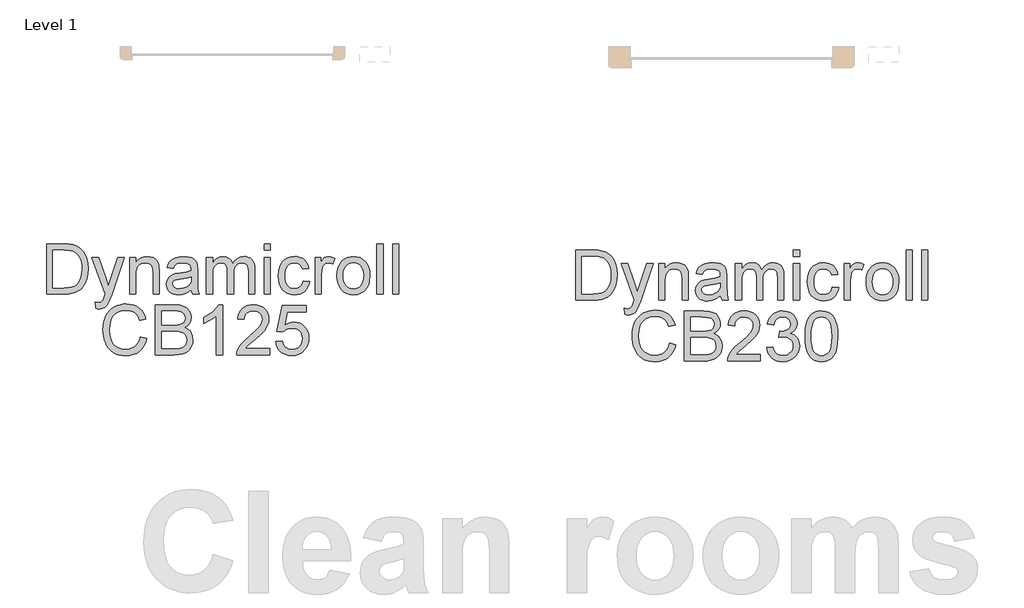
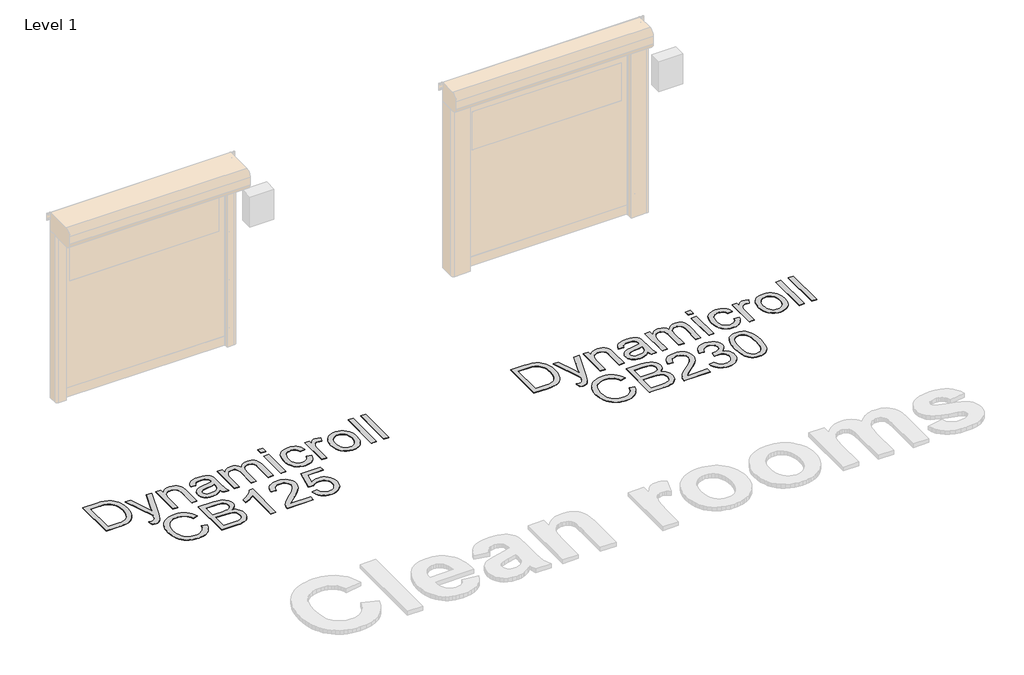
# One storey, part 16 of 18: 2 proxies.
"""IFC4 building model written with IfcOpenShell, lengths in millimetres."""

import ifcopenshell
import ifcopenshell.guid

model = None  # the IFC model being written
_history = None  # IfcOwnerHistory: only IFC2X3 demands one
_inside = {}  # id of a spatial element -> (the spatial element, [elements in it])
_under = {}  # id of a project, library or spatial element -> (it, [spatial elements below it])
_declared = {}  # id of a project -> (the project, [libraries it declares])
_typed = {}  # id of a type object -> (the type object, [elements of that type])
_made_of = {}  # id of a material, layer set ... -> (it, [elements and type objects made of it])


def new_model(schema):
    """Start an empty IFC model of exactly this schema.

    Asked for "IFC4X3", IfcOpenShell would pick the latest addendum, in which some entities
    have other attributes; the version numbers below select the first issue.
    IFC2X3 requires an IfcOwnerHistory on every rooted entity: one is made here for all.
    """
    global model, _history
    if schema == "IFC4X3":
        model = ifcopenshell.file(schema_version=(4, 3, 0, 0))
    else:
        model = ifcopenshell.file(schema=schema)
    _inside.clear()
    _under.clear()
    _declared.clear()
    _typed.clear()
    _made_of.clear()
    _history = None
    if model.schema == "IFC2X3":
        org = make("IfcOrganization", Name="unknown")
        user = make(
            "IfcPersonAndOrganization",
            ThePerson=make("IfcPerson", FamilyName="unknown"),
            TheOrganization=org,
        )
        app = make(
            "IfcApplication",
            ApplicationDeveloper=org,
            Version="unknown",
            ApplicationFullName="unknown",
            ApplicationIdentifier="unknown",
        )
        _history = make(
            "IfcOwnerHistory",
            OwningUser=user,
            OwningApplication=app,
            ChangeAction="ADDED",
            CreationDate=0,
        )
    return model


def make(cls, **values):
    """One entity of the class cls with the attributes given. An attribute that is None is left unset."""
    return model.create_entity(
        cls, **{name: value for name, value in values.items() if value is not None}
    )


def rooted(cls, **values):
    """An entity with a GlobalId (a new one), such as an element, a storey or a relation."""
    return make(cls, GlobalId=ifcopenshell.guid.new(), OwnerHistory=_history, **values)


def si_unit(unit_type, name, prefix=None):
    """IfcSIUnit, for example si_unit("LENGTHUNIT", "METRE", prefix="MILLI")."""
    return make("IfcSIUnit", UnitType=unit_type, Prefix=prefix, Name=name)


def assignment(units):
    """IfcUnitAssignment: the units of a project."""
    return None if units is None else make("IfcUnitAssignment", Units=units)


def point(xyz):
    """IfcCartesianPoint."""
    return None if xyz is None else make("IfcCartesianPoint", Coordinates=xyz)


def direction(xyz):
    """IfcDirection."""
    return None if xyz is None else make("IfcDirection", DirectionRatios=xyz)


def frame(location, z_axis=None, x_axis=None):
    """IfcAxis2Placement3D, a coordinate frame: its origin and axes. An axis left out is left unset."""
    return make(
        "IfcAxis2Placement3D",
        Location=point(location),
        Axis=direction(z_axis),
        RefDirection=direction(x_axis),
    )


def origin():
    """The frame at (0, 0, 0) with its axes left unset."""
    return frame((0.0, 0.0, 0.0))


def origin_with_axes():
    """The frame at (0, 0, 0) with the z axis (0, 0, 1) and the x axis (1, 0, 0) written out."""
    return frame((0.0, 0.0, 0.0), z_axis=(0.0, 0.0, 1.0), x_axis=(1.0, 0.0, 0.0))


def place(relative_to, where):
    """IfcLocalPlacement: puts the frame where relative to a parent placement (None: the world)."""
    return make(
        "IfcLocalPlacement", PlacementRelTo=relative_to, RelativePlacement=where
    )


def context(
    kind, dimensions, precision=None, world=None, true_north=None, identifier=None
):
    """IfcGeometricRepresentationContext, for example the 3D "Model" context."""
    return make(
        "IfcGeometricRepresentationContext",
        ContextIdentifier=identifier,
        ContextType=kind,
        CoordinateSpaceDimension=dimensions,
        Precision=precision,
        WorldCoordinateSystem=world,
        TrueNorth=true_north,
    )


def project(units=None, contexts=None):
    """IfcProject with its units and contexts."""
    return rooted(
        "IfcProject",
        Name="project",
        RepresentationContexts=contexts,
        UnitsInContext=assignment(units),
    )


def spatial(cls, under=None, at=None, **own):
    """A site, building, storey or space (cls), placed at a placement, below another one or the project."""
    s = rooted(cls, ObjectPlacement=at, **own)
    if under is not None:
        _under.setdefault(under.id(), (under, []))[1].append(s)
    return s


def polyline(points):
    """IfcPolyline through the points."""
    return make("IfcPolyline", Points=[point(p) for p in points])


def outline(outer, holes=None, kind="AREA"):
    """IfcArbitraryClosedProfileDef: a profile drawn as a closed curve; with holes, ...WithVoids."""
    if holes is None:
        return make("IfcArbitraryClosedProfileDef", ProfileType=kind, OuterCurve=outer)
    return make(
        "IfcArbitraryProfileDefWithVoids",
        ProfileType=kind,
        OuterCurve=outer,
        InnerCurves=holes,
    )


def extrude(swept, where, along, depth):
    """IfcExtrudedAreaSolid: the profile swept, set in the frame where, extruded along a direction by depth."""
    return make(
        "IfcExtrudedAreaSolid",
        SweptArea=swept,
        Position=where,
        ExtrudedDirection=direction(along),
        Depth=depth,
    )


def shape(context_of_items, identifier, shape_type, items):
    """IfcShapeRepresentation: the items that make up one representation, for example the "Body"."""
    return make(
        "IfcShapeRepresentation",
        ContextOfItems=context_of_items,
        RepresentationIdentifier=identifier,
        RepresentationType=shape_type,
        Items=items,
    )


def made_of(thing, what):
    """Note that an element or type object is made of a material, layer set ...; save() writes the relation."""
    if what is not None:
        _made_of.setdefault(what.id(), (what, []))[1].append(thing)
    return thing


def element(
    cls,
    number,
    at=None,
    inside=None,
    cuts=None,
    type_object=None,
    material=None,
    context=None,
    identifier="Body",
    shape_type=None,
    held_by="IfcProductDefinitionShape",
    body=None,
    shapes=None,
    **own,
):
    """One element of the class cls, such as IfcWall. Its Tag is "e" and its number.

    at: its placement. inside: the storey or other place that contains it. cuts: it is an
    opening in that element (IfcRelVoidsElement). A single representation is given by context,
    identifier, shape_type and body (its items); several are given by shapes. held_by: the class
    of the entity that holds the representations. save() writes the other relations.
    """
    e = rooted(cls, Tag="e%d" % number, ObjectPlacement=at, **own)
    if body is not None:
        shapes = [shape(context, identifier, shape_type, body)]
    if shapes is not None:
        e.Representation = make(held_by, Representations=shapes)
    if inside is not None:
        _inside.setdefault(inside.id(), (inside, []))[1].append(e)
    if cuts is not None:
        rooted(
            "IfcRelVoidsElement", RelatingBuildingElement=cuts, RelatedOpeningElement=e
        )
    if type_object is not None:
        _typed.setdefault(type_object.id(), (type_object, []))[1].append(e)
    return made_of(e, material)


def aggregate(whole, parts):
    """IfcRelAggregates: a whole, such as a stair, and the parts it consists of."""
    return rooted("IfcRelAggregates", RelatingObject=whole, RelatedObjects=parts)


def save(model, path):
    """Write the relations noted so far, then the file.

    IfcRelAggregates (storeys below a building ...), IfcRelContainedInSpatialStructure (elements
    in a storey), IfcRelDefinesByType, IfcRelAssociatesMaterial and IfcRelDeclares: one each for
    every whole, place, type object, material and project.
    """
    for whole, parts in _under.values():
        aggregate(whole, parts)
    for where, things in _inside.values():
        rooted(
            "IfcRelContainedInSpatialStructure",
            RelatedElements=things,
            RelatingStructure=where,
        )
    for kind, things in _typed.values():
        rooted("IfcRelDefinesByType", RelatedObjects=things, RelatingType=kind)
    for what, things in _made_of.values():
        rooted("IfcRelAssociatesMaterial", RelatedObjects=things, RelatingMaterial=what)
    for by, libraries in _declared.values():
        rooted("IfcRelDeclares", RelatingContext=by, RelatedDefinitions=libraries)
    model.write(path)


model = new_model("IFC4")

# Units and contexts
model_context = context("Model", 3, world=origin())
ifc_project = project(units=[si_unit("LENGTHUNIT", "METRE", prefix="MILLI")], contexts=[model_context])

# Site, building, storey
site = spatial("IfcSite", under=ifc_project)
building = spatial("IfcBuilding", under=site)
storey = spatial("IfcBuildingStorey", under=building, Name="Level 1", Elevation=0.0)

# Proxies
placement = place(None, origin())
element("IfcBuildingElementProxy", 1, Name="500mm", ObjectType="500mm", at=placement, inside=storey, context=model_context, shape_type="SweptSolid", body=[
    extrude(outline(polyline([(-367.2785937, 53537.1526628), (-367.2785937, 54039.4342136), (-194.006174, 54039.4342136), (-142.2267831, 54037.6254604), (-104.3655945, 54032.199201), (-64.3277707, 54018.250342), (-30.5439408, 53996.2693928), (-11.927579, 53978.3044887), (4.1902509, 53958.0096653), (17.809549, 53935.3849226), (28.9303151, 53910.4302606), (43.7375654, 53854.4508837), (48.6733155, 53790.9912395), (45.3317207, 53737.0811988), (35.3069364, 53689.6397498), (20.0398336, 53649.2493724), (0.9712835, 53616.4925464), (-20.9790089, 53590.6335079), (-44.8913386, 53570.9364927), (-72.3445325, 53556.3285118), (-104.9174175, 53545.736576), (-142.6713072, 53539.2986411), (-185.6675154, 53537.1526628), (-367.2785937, 53537.1526628)]), holes=[polyline([(-304.4933998, 53599.9378567), (-193.3930373, 53599.9378567), (-147.4384447, 53602.2064623), (-112.5816257, 53609.0122792), (-86.278063, 53619.9567686), (-65.9832396, 53634.6413915), (-44.170903, 53661.8186739), (-27.7848258, 53696.9973897), (-17.5301152, 53740.3308231), (-14.1118783, 53791.9722581), (-15.7865078, 53828.4232325), (-20.8103963, 53860.3983092), (-29.1835438, 53887.8974884), (-40.9059503, 53910.9207699), (-55.027254, 53929.98932), (-70.597093, 53945.6243048), (-87.6154674, 53957.8257243), (-106.0823771, 53966.5935785), (-142.1961263, 53974.1351594), (-195.1098199, 53976.6490197), (-304.4933998, 53976.6490197), (-304.4933998, 53599.9378567)])]), origin_with_axes(), (0.0, 0.0, 1.0), 5.0),
    extrude(outline(polyline([(127.1548078, 53395.8859767), (119.3066586, 53456.3412512), (151.1897649, 53450.8230213), (167.9590525, 53452.5551323), (180.9882065, 53457.7514655), (191.1356182, 53466.0441388), (199.2596789, 53477.0652703), (216.4275053, 53523.2957743), (221.3325986, 53538.5015635), (87.9140617, 53906.0156766), (154.1328208, 53906.0156766), (224.8887912, 53701.2280327), (249.5368849, 53619.3129751), (274.1849786, 53691.6631008), (346.9029863, 53906.0156766), (412.6312361, 53906.0156766), (284.2404198, 53528.3234949), (250.8857855, 53446.4084373), (233.8099296, 53420.2581588), (214.465468, 53402.1399706), (191.9940095, 53391.5633632), (165.5371627, 53388.0378274), (147.3576607, 53389.9998647), (127.1548078, 53395.8859767)])), origin_with_axes(), (0.0, 0.0, 1.0), 5.0),
    extrude(outline(polyline([(464.6252247, 53537.1526628), (464.6252247, 53906.0156766), (527.4104186, 53906.0156766), (527.4104186, 53854.5121973), (549.2227552, 53880.4785348), (575.419019, 53899.0259187), (605.9992098, 53910.1543491), (640.9633278, 53913.8638259), (671.9114006, 53910.8747847), (700.2536427, 53901.907661), (723.8900608, 53888.0814294), (740.7206621, 53870.5150641), (752.1403324, 53849.2545505), (759.5439575, 53824.3458737), (762.8548955, 53763.6453445), (762.8548955, 53537.1526628), (700.0697017, 53537.1526628), (700.0697017, 53755.1840586), (698.2609485, 53787.6496447), (692.8346891, 53810.7342399), (682.8252331, 53827.2736013), (667.2668904, 53840.1034858), (647.3246206, 53848.3348455), (624.1633833, 53851.078632), (605.0986653, 53849.5381262), (587.3905122, 53844.9166086), (571.038924, 53837.2140793), (556.0439005, 53826.4305384), (543.5167522, 53811.3397123), (534.5687891, 53790.715328), (529.2000112, 53764.5573853), (527.4104186, 53732.8658842), (527.4104186, 53537.1526628), (464.6252247, 53537.1526628)])), origin_with_axes(), (0.0, 0.0, 1.0), 5.0),
    extrude(outline(polyline([(1084.6290139, 53584.2415582), (1054.6313029, 53558.5204754), (1023.7445437, 53541.6898741), (991.2636293, 53532.4008537), (956.4834523, 53529.3045136), (928.5282528, 53531.1669162), (904.0142827, 53536.754124), (882.9415422, 53546.066137), (865.3100312, 53559.1029552), (851.3879969, 53575.0368441), (841.4436867, 53593.0400692), (835.4771006, 53613.1126306), (833.4882386, 53635.2545282), (836.4926082, 53661.2821794), (845.5057171, 53684.9185975), (859.4085908, 53705.1521073), (877.082255, 53720.9710331), (897.8522593, 53732.9271979), (921.0441534, 53741.5724248), (975.3680614, 53751.0147293), (1039.5634695, 53760.9475432), (1084.261132, 53772.5971397), (1084.6290139, 53786.5766555), (1080.3064005, 53814.5970008), (1067.3385602, 53832.9297869), (1054.2634209, 53840.8699067), (1038.3371962, 53846.5414208), (997.9314904, 53851.078632), (960.5301542, 53848.058934), (934.4105326, 53838.9998399), (916.5989127, 53822.2458807), (904.1215816, 53796.1415874), (841.3363878, 53803.9897366), (852.2348919, 53838.3253895), (868.4983418, 53865.3034025), (891.6442506, 53885.9354511), (923.1901317, 53901.2332107), (961.771756, 53910.7061721), (1006.0248943, 53913.8638259), (1048.4692795, 53911.0740541), (1082.1151536, 53902.7047387), (1107.4836829, 53890.1201088), (1125.0960334, 53874.6843934), (1136.7762868, 53855.6005149), (1144.3485245, 53832.0713956), (1147.4142078, 53777.134351), (1147.4142078, 53699.0207407), (1150.6025184, 53589.9437291), (1155.3236707, 53562.9810446), (1163.1105063, 53537.1526628), (1100.3253124, 53537.1526628), (1090.2698712, 53558.9803279), (1084.6290139, 53584.2415582)]), holes=[polyline([(1084.6290139, 53709.8119459), (1042.4452118, 53699.3579659), (983.3388379, 53690.5594548), (929.3214983, 53680.3813863), (915.2653404, 53673.4222852), (904.8573456, 53663.8266965), (898.4194107, 53652.3303841), (896.2734324, 53639.6691121), (900.9485994, 53620.9991009), (914.9741005, 53605.7013412), (938.0433673, 53595.4926159), (969.8498315, 53592.0897074), (1003.5723477, 53595.8451695), (1033.3707893, 53607.1115556), (1057.5283736, 53623.7122306), (1074.3283181, 53643.4705594), (1081.7779285, 53663.8266965), (1084.261132, 53692.0309828), (1084.6290139, 53709.8119459)])]), origin_with_axes(), (0.0, 0.0, 1.0), 5.0),
    extrude(outline(polyline([(1233.7438493, 53537.1526628), (1233.7438493, 53906.0156766), (1296.5290432, 53906.0156766), (1296.5290432, 53845.3151474), (1315.4136523, 53873.197537), (1339.6938639, 53895.0405305), (1368.5419437, 53909.158002), (1401.1301571, 53913.8638259), (1436.0482898, 53909.0660315), (1464.0379783, 53894.6726485), (1484.9459384, 53871.6340385), (1498.6188859, 53840.9005635), (1521.5042116, 53872.8219908), (1547.6085049, 53895.6230103), (1576.9317656, 53909.303622), (1609.4739937, 53913.8638259), (1634.6087646, 53911.9669343), (1656.670188, 53906.2762597), (1675.6582639, 53896.791802), (1691.5729923, 53883.5135613), (1704.1537901, 53866.2882533), (1713.1400743, 53844.9625939), (1718.5318448, 53819.536583), (1720.3291016, 53790.0102208), (1720.3291016, 53537.1526628), (1657.5439078, 53537.1526628), (1657.5439078, 53763.0322079), (1656.0877082, 53794.3481627), (1651.7191095, 53815.4553922), (1643.5337351, 53829.9100889), (1630.6272085, 53841.2684455), (1614.0265334, 53848.6260854), (1594.7587139, 53851.078632), (1576.9662545, 53849.5074693), (1560.7449578, 53844.7939813), (1546.0948238, 53836.9381678), (1533.0158524, 53825.940029), (1522.2591361, 53811.4776681), (1514.5757674, 53793.2291883), (1509.9657461, 53771.1945896), (1508.4290724, 53745.3738721), (1508.4290724, 53537.1526628), (1445.6438785, 53537.1526628), (1445.6438785, 53770.0219658), (1442.0110438, 53805.5225783), (1431.1125397, 53830.8451223), (1422.6857428, 53839.6972828), (1411.9366907, 53846.0202546), (1383.4718214, 53851.078632), (1359.2835802, 53847.7063804), (1336.9960626, 53837.5896255), (1318.6019629, 53820.9736221), (1306.093975, 53798.1036247), (1298.9202761, 53766.3738026), (1296.5290432, 53723.178325), (1296.5290432, 53537.1526628), (1233.7438493, 53537.1526628)])), origin_with_axes(), (0.0, 0.0, 1.0), 5.0),
    extrude(outline(polyline([(1814.5068924, 53976.6490197), (1814.5068924, 54039.4342136), (1877.2920862, 54039.4342136), (1877.2920862, 53976.6490197), (1814.5068924, 53976.6490197)])), origin_with_axes(), (0.0, 0.0, 1.0), 5.0),
    extrude(outline(polyline([(1814.5068924, 53537.1526628), (1814.5068924, 53906.0156766), (1877.2920862, 53906.0156766), (1877.2920862, 53537.1526628), (1814.5068924, 53537.1526628)])), origin_with_axes(), (0.0, 0.0, 1.0), 5.0),
    extrude(outline(polyline([(2206.9143539, 53670.5711997), (2269.6995477, 53662.7230505), (2262.8707382, 53633.0970536), (2252.1944961, 53606.8816293), (2237.6708215, 53584.0767777), (2219.2997144, 53564.6824988), (2197.8552598, 53549.2046303), (2174.1115427, 53538.1490099), (2148.0685631, 53531.5156377), (2119.726321, 53529.3045136), (2084.5131163, 53532.3893574), (2052.9404105, 53541.6438888), (2025.0082036, 53557.0681079), (2000.7164956, 53578.6620146), (1981.0539694, 53606.0194059), (1967.0093078, 53638.7340787), (1958.5825108, 53676.8060331), (1955.7735785, 53720.2352691), (1960.5713729, 53776.1073471), (1974.9647559, 53824.5298147), (1985.8172748, 53845.4799279), (1999.183654, 53863.6326051), (2015.0638934, 53878.9878463), (2033.4579932, 53891.5456515), (2074.4615072, 53908.2842823), (2118.8679297, 53913.8638259), (2146.7234945, 53911.9477738), (2171.9195791, 53906.1996176), (2194.4561834, 53896.6193574), (2214.3333075, 53883.2069929), (2231.2137261, 53866.2690927), (2244.7602142, 53846.1122251), (2254.9727716, 53822.73639), (2261.8513985, 53796.1415874), (2199.0662047, 53788.2934382), (2187.6771912, 53815.6853184), (2169.9422134, 53835.3210199), (2146.8422898, 53847.139229), (2119.358439, 53851.078632), (2098.0251154, 53849.1395873), (2078.7841207, 53843.3224533), (2061.6354547, 53833.6272299), (2046.5791177, 53820.0539171), (2034.3202166, 53802.2882824), (2025.5638587, 53780.0160933), (2020.310044, 53753.2373497), (2018.5587724, 53721.9520517), (2020.2717229, 53690.1954049), (2025.4105745, 53663.1062609), (2033.9753272, 53640.6846197), (2045.965981, 53622.9304814), (2060.723414, 53609.4376428), (2077.5885042, 53599.7999009), (2096.5612517, 53594.0172558), (2117.6416564, 53592.0897074), (2150.1532277, 53596.9028302), (2176.809344, 53611.3421985), (2187.5890528, 53622.2636952), (2196.1997908, 53635.7756944), (2206.9143539, 53670.5711997)])), origin_with_axes(), (0.0, 0.0, 1.0), 5.0),
    extrude(outline(polyline([(2324.6365924, 53537.1526628), (2324.6365924, 53906.0156766), (2379.573637, 53906.0156766), (2379.573637, 53851.446514), (2399.8684604, 53883.0843656), (2418.5691285, 53901.72372), (2437.3311102, 53910.8287994), (2457.8098746, 53913.8638259), (2489.0798442, 53909.0200463), (2520.8403231, 53894.4887075), (2499.8710494, 53838.2027622), (2477.7981297, 53847.8596646), (2455.72521, 53851.078632), (2436.9785566, 53847.9822919), (2420.2245974, 53838.6932715), (2406.6896057, 53823.9166781), (2397.5998547, 53804.3576186), (2389.9663033, 53769.2862018), (2387.4217862, 53731.0264743), (2387.4217862, 53537.1526628), (2324.6365924, 53537.1526628)])), origin_with_axes(), (0.0, 0.0, 1.0), 5.0),
    extrude(outline(polyline([(2544.3847708, 53721.5841697), (2547.7800151, 53769.3551796), (2557.9657478, 53810.5196421), (2574.941969, 53845.077557), (2598.7086788, 53873.0289244), (2622.6363369, 53890.8941938), (2649.0471984, 53903.6551005), (2677.9412635, 53911.3116445), (2709.318532, 53913.8638259), (2743.9569211, 53910.7559894), (2775.276708, 53901.4324801), (2803.2778928, 53885.8932979), (2827.9604754, 53864.1384429), (2848.1058468, 53836.9036789), (2862.4953977, 53804.9247701), (2871.1291283, 53768.2017163), (2874.0070385, 53726.7345177), (2868.9180042, 53663.3055303), (2862.5567114, 53637.270215), (2853.6509014, 53615.0210185), (2842.3117053, 53595.8030163), (2828.6502542, 53578.861284), (2812.6665479, 53564.1958216), (2794.3605865, 53551.806629), (2753.632984, 53534.9300424), (2709.318532, 53529.3045136), (2674.1743051, 53532.4008537), (2642.5632783, 53541.6898741), (2614.4854514, 53557.1715747), (2589.9408245, 53578.8459556), (2570.010051, 53606.3451347), (2555.7737842, 53639.3012301), (2547.2320242, 53677.7142418), (2544.3847708, 53721.5841697)]), holes=[polyline([(2607.1699647, 53721.7067971), (2608.986382, 53691.2530656), (2614.4356341, 53664.8843572), (2623.5177208, 53642.6006718), (2636.2326423, 53624.4020093), (2651.6990145, 53610.2653773), (2669.0354535, 53600.1677829), (2688.2419593, 53594.1092263), (2709.318532, 53592.0897074), (2730.2878057, 53594.1207226), (2749.4176695, 53600.2137682), (2766.7081232, 53610.3688441), (2782.159167, 53624.5859503), (2794.8740885, 53642.9647217), (2803.9561752, 53665.6047928), (2809.4054273, 53692.5061637), (2811.2218446, 53723.6688344), (2809.393931, 53753.1568755), (2803.91019, 53778.8358052), (2794.7706217, 53800.7056234), (2781.975226, 53818.7663301), (2766.4667007, 53832.9029622), (2749.1877432, 53843.0005566), (2730.1383536, 53849.0591132), (2709.318532, 53851.078632), (2688.2419593, 53849.0667774), (2669.0354535, 53843.0312134), (2651.6990145, 53832.9719401), (2636.2326423, 53818.8889575), (2623.5177208, 53800.7439445), (2614.4356341, 53778.4985801), (2608.986382, 53752.1528643), (2607.1699647, 53721.7067971)])]), origin_with_axes(), (0.0, 0.0, 1.0), 5.0),
    extrude(outline(polyline([(2944.6403816, 53537.1526628), (2944.6403816, 54039.4342136), (3007.4255754, 54039.4342136), (3007.4255754, 53537.1526628), (2944.6403816, 53537.1526628)])), origin_with_axes(), (0.0, 0.0, 1.0), 5.0),
    extrude(outline(polyline([(3101.6033662, 53537.1526628), (3101.6033662, 54039.4342136), (3164.38856, 54039.4342136), (3164.38856, 53537.1526628), (3101.6033662, 53537.1526628)])), origin_with_axes(), (0.0, 0.0, 1.0), 5.0),
    extrude(outline(polyline([(574.499314, 53105.8239686), (637.2845078, 53089.6371608), (624.8608263, 53050.591852), (608.3138007, 53016.474629), (587.6434311, 52987.2854919), (562.8497175, 52963.0244408), (534.492147, 52943.9520586), (503.1302069, 52930.3289285), (468.7638972, 52922.1550504), (431.3932178, 52919.4304244), (393.1066656, 52921.4920964), (358.5679112, 52927.6771124), (327.7769546, 52937.9854725), (300.7337959, 52952.4171766), (277.0667209, 52970.7576269), (256.4040155, 52992.7922256), (238.7456797, 53018.5209726), (224.0917136, 53047.943868), (212.5839049, 53079.7886532), (204.3640416, 53112.7830697), (199.4321236, 53146.9271173), (197.7881509, 53182.2207962), (199.6467214, 53220.0896491), (205.2224329, 53255.4599701), (214.5152854, 53288.3317592), (227.5252789, 53318.7050165), (243.9611734, 53346.0777362), (263.5317291, 53369.9479127), (286.236946, 53390.3155461), (312.0768241, 53407.1806363), (340.1738115, 53420.4052276), (369.6503563, 53429.8513642), (400.5064587, 53435.5190462), (432.7421185, 53437.4082736), (468.6527662, 53434.9633911), (501.5820368, 53427.6287439), (531.5299305, 53415.4043317), (558.4964472, 53398.2901547), (582.0370628, 53376.7384012), (601.7072532, 53351.2012594), (617.5070185, 53321.6787293), (629.4363586, 53288.1708109), (566.6511647, 53273.2102764), (556.7643361, 53297.9005232), (544.8848134, 53318.9962564), (531.0125965, 53336.4974759), (515.1476854, 53350.4041817), (497.1981097, 53360.9999496), (477.0718989, 53368.5683552), (454.769053, 53373.1093986), (430.2895719, 53374.6230797), (402.1236066, 53372.9446181), (376.3642027, 53367.9092333), (353.0113602, 53359.5169253), (332.0650791, 53347.7676941), (313.7897746, 53333.19037), (298.4498618, 53316.3137835), (286.0453408, 53297.1379345), (276.5762115, 53275.662823), (264.5740615, 53229.7082305), (260.5733448, 53182.3434236), (265.3098254, 53124.3406957), (279.5192675, 53074.186117), (290.3104727, 53052.5308966), (303.7381655, 53033.7957396), (319.802346, 53017.9806459), (338.5030141, 53005.0856156), (380.1809784, 52987.9331175), (425.1392239, 52982.2156182), (452.4353016, 52984.1623271), (477.5470798, 52990.0024538), (500.4745588, 52999.7359982), (521.2177383, 53013.3629605), (539.2861092, 53030.8220268), (554.1891622, 53052.0518836), (565.9268971, 53077.0525309), (574.499314, 53105.8239686)])), origin_with_axes(), (0.0, 0.0, 1.0), 5.0),
    extrude(outline(polyline([(723.6141493, 52927.2785736), (723.6141493, 53429.5601243), (915.2806688, 53429.5601243), (967.9950931, 53425.865976), (1009.1518913, 53414.7835309), (1040.6977724, 53396.0368775), (1064.5794452, 53369.3501045), (1079.6166218, 53337.9575075), (1084.6290139, 53305.0933826), (1080.4136994, 53274.8504169), (1067.7677558, 53246.4162044), (1046.5992127, 53221.5381845), (1016.8160995, 53201.9637967), (1035.7658544, 53193.8857212), (1052.3933541, 53183.3857559), (1066.6985988, 53170.4639008), (1078.6815884, 53155.1201559), (1094.9143814, 53119.0370636), (1100.3253124, 53077.0065456), (1096.631164, 53041.981114), (1085.5487189, 53009.5001995), (1069.0093576, 52981.878393), (1048.9444604, 52961.4302855), (1024.3730088, 52946.6230352), (994.3139841, 52935.9238005), (957.7863677, 52929.4398803), (913.8091409, 52927.2785736), (723.6141493, 52927.2785736)]), holes=[polyline([(786.3993432, 53225.5082443), (901.0558984, 53225.5082443), (941.1550358, 53226.857145), (968.0104215, 53230.9038469), (991.4475703, 53240.2081957), (1008.2934999, 53254.1417263), (1018.4562401, 53272.4898408), (1021.8438201, 53295.0379414), (1018.6861663, 53316.9269201), (1009.2132049, 53335.9954702), (993.8541316, 53350.8793626), (973.0381421, 53360.2143682), (941.0937222, 53365.1347899), (892.3493578, 53366.7749305), (786.3993432, 53366.7749305), (786.3993432, 53225.5082443)]), polyline([(786.3993432, 52990.0637674), (915.1580415, 52990.0637674), (961.7564276, 52992.5163141), (983.3848232, 52997.9579019), (1001.1811147, 53006.1892616), (1015.6511399, 53017.9768138), (1027.3007364, 53034.0869795), (1034.980273, 53053.7993231), (1037.5401186, 53076.393409), (1034.5357489, 53102.635658), (1025.5226401, 53125.199087), (1009.7803563, 53142.8420943), (986.5884622, 53154.3230783), (953.7396657, 53160.6230574), (909.0266749, 53162.7230505), (786.3993432, 53162.7230505), (786.3993432, 52990.0637674)])]), origin_with_axes(), (0.0, 0.0, 1.0), 5.0),
    extrude(outline(polyline([(1398.5549832, 52927.2785736), (1335.7697893, 52927.2785736), (1335.7697893, 53318.7050165), (1309.5581972, 53297.5058165), (1276.2955334, 53276.3372733), (1210.1994016, 53244.6381081), (1210.1994016, 53303.9897366), (1259.5109174, 53330.8144655), (1302.2312141, 53362.7282285), (1335.9077451, 53396.6653426), (1358.0879637, 53429.5601243), (1398.5549832, 53429.5601243), (1398.5549832, 52927.2785736)])), origin_with_axes(), (0.0, 0.0, 1.0), 5.0),
    extrude(outline(polyline([(1869.443937, 52990.0637674), (1869.443937, 52927.2785736), (1539.8216693, 52927.2785736), (1541.2012268, 52949.3821501), (1546.5661726, 52970.5660217), (1562.0478732, 53004.3958368), (1584.7032727, 53037.2139765), (1617.4754271, 53071.5649578), (1663.3073924, 53109.9932979), (1731.0589931, 53170.1726609), (1771.7099536, 53214.5944118), (1792.0354338, 53250.6468473), (1797.1168039, 53268.3051831), (1798.8105939, 53285.7182642), (1797.2126065, 53302.1005093), (1792.4186443, 53317.1568464), (1784.4287072, 53330.8872754), (1773.2427953, 53343.2917965), (1759.4817094, 53353.5656676), (1743.7662504, 53360.904147), (1726.0964183, 53365.3072346), (1706.4722131, 53366.7749305), (1667.3081091, 53361.0421027), (1651.002506, 53353.876068), (1636.8812024, 53343.8436195), (1625.4577, 53331.2819822), (1617.2455009, 53316.5283813), (1612.244605, 53299.5828169), (1610.4550124, 53280.445289), (1547.6698185, 53288.2934382), (1553.0692532, 53320.7053748), (1562.8909361, 53349.0246242), (1577.1348671, 53373.2511864), (1595.8010462, 53393.3850615), (1618.4602779, 53409.2116515), (1644.6833664, 53420.5163586), (1674.4703117, 53427.2991829), (1707.8211138, 53429.5601243), (1741.47082, 53427.046264), (1771.4187137, 53419.5046831), (1797.6647948, 53406.9353816), (1820.2090633, 53389.3383595), (1838.3157553, 53368.0165322), (1851.2491066, 53344.2728151), (1859.0091175, 53318.1072082), (1861.5957878, 53289.5197115), (1858.806016, 53259.4913436), (1850.4367006, 53229.984142), (1835.583465, 53199.9711025), (1813.3419327, 53168.4252214), (1777.8873054, 53130.7633022), (1723.3947849, 53082.4021482), (1651.1672865, 53022.0081873), (1622.8403729, 52990.0637674), (1869.443937, 52990.0637674)])), origin_with_axes(), (0.0, 0.0, 1.0), 5.0),
    extrude(outline(polyline([(1932.2291308, 53060.6971105), (1995.0143247, 53068.5452597), (2006.5412939, 53030.8526836), (2015.5237459, 53016.0186086), (2026.6521763, 53003.8593423), (2039.9035923, 52994.390213), (2055.2550014, 52987.6265492), (2092.2577987, 52982.2156182), (2116.1701284, 52984.0971813), (2137.2620295, 52989.7418707), (2155.5335019, 52999.1496863), (2170.9845457, 53012.3206281), (2183.2702715, 53028.6032385), (2192.0457899, 53047.3460598), (2197.311101, 53068.5490918), (2199.0662047, 53092.2123348), (2197.422232, 53114.5764944), (2192.490314, 53134.4574505), (2184.2704507, 53151.8552032), (2172.762642, 53166.7697524), (2157.928567, 53178.7335815), (2139.7299045, 53187.2791737), (2118.1666547, 53192.406529), (2093.2388174, 53194.1156474), (2062.7812539, 53191.3871893), (2038.1178318, 53183.2018149), (2018.4208166, 53170.6631702), (2002.8624739, 53154.8749013), (1940.0772801, 53162.7230505), (1995.0143247, 53421.7119751), (2238.3069508, 53421.7119751), (2238.3069508, 53358.9267813), (2045.78204, 53358.9267813), (2018.9266544, 53220.6031511), (2041.0838804, 53236.4833905), (2063.7776009, 53247.8264187), (2087.0078161, 53254.6322356), (2110.7745258, 53256.9008413), (2141.3508846, 53254.0880768), (2169.4363756, 53245.6497836), (2195.030999, 53231.5859615), (2218.1347548, 53211.8966105), (2237.2607864, 53187.7850114), (2250.9222376, 53160.4544449), (2259.1191083, 53129.9049108), (2261.8513985, 53096.1364094), (2259.3911877, 53063.6095096), (2252.0105551, 53033.3512155), (2239.7095009, 53005.3615271), (2222.488025, 52979.6404442), (2196.3990602, 52953.2985605), (2165.9568251, 52934.4829293), (2131.1613197, 52923.1935506), (2092.0125441, 52919.4304244), (2059.6121038, 52921.8484821), (2030.3463246, 52929.1026551), (2004.2152067, 52941.1929436), (1981.2187499, 52958.1193475), (1962.085054, 52979.0388039), (1947.5422189, 53003.1082498), (1937.5902445, 53030.3276854), (1932.2291308, 53060.6971105)])), origin_with_axes(), (0.0, 0.0, 1.0), 5.0),
])
element("IfcBuildingElementProxy", 2, Name="500mm", ObjectType="500mm", at=placement, inside=storey, context=model_context, shape_type="SweptSolid", body=[
    extrude(outline(polyline([(4936.8681152, 53476.3287441), (4936.8681152, 53978.6102948), (5110.1405349, 53978.6102948), (5161.9199257, 53976.8015417), (5199.7811144, 53971.3752822), (5239.8189382, 53957.4264233), (5273.6027681, 53935.445474), (5292.2191299, 53917.48057), (5308.3369598, 53897.1857465), (5321.9562578, 53874.5610038), (5333.077024, 53849.6063418), (5347.8842743, 53793.6269649), (5352.8200244, 53730.1673207), (5349.4784296, 53676.25728), (5339.4536452, 53628.8158311), (5324.1865424, 53588.4254537), (5305.1179924, 53555.6686277), (5283.1677, 53529.8095891), (5259.2553703, 53510.112574), (5231.8021764, 53495.5045931), (5199.2292914, 53484.9126573), (5161.4754017, 53478.4747224), (5118.4791935, 53476.3287441), (4936.8681152, 53476.3287441)]), holes=[polyline([(4999.653309, 53539.1139379), (5110.7536716, 53539.1139379), (5156.7082641, 53541.3825435), (5191.5650832, 53548.1883605), (5217.8686458, 53559.1328498), (5238.1634692, 53573.8174728), (5259.9758059, 53600.9947552), (5276.3618831, 53636.173471), (5286.6165937, 53679.5069043), (5290.0348306, 53731.1483394), (5288.3602011, 53767.5993137), (5283.3363126, 53799.5743905), (5274.9631651, 53827.0735696), (5263.2407586, 53850.0968512), (5249.1194549, 53869.1654013), (5233.5496159, 53884.800386), (5216.5312415, 53897.0018056), (5198.0643318, 53905.7696598), (5161.9505826, 53913.3112407), (5109.0368889, 53915.825101), (4999.653309, 53915.825101), (4999.653309, 53539.1139379)])]), origin_with_axes(), (0.0, 0.0, 1.0), 5.0),
    extrude(outline(polyline([(5431.3015167, 53335.0620579), (5423.4533675, 53395.5173325), (5455.3364737, 53389.9991025), (5472.1057613, 53391.7312136), (5485.1349153, 53396.9275468), (5495.282327, 53405.2202201), (5503.4063878, 53416.2413515), (5520.5742142, 53462.4718556), (5525.4793075, 53477.6776447), (5392.0607706, 53845.1917579), (5458.2795297, 53845.1917579), (5529.0355001, 53640.4041139), (5553.6835938, 53558.4890563), (5578.3316874, 53630.839182), (5651.0496952, 53845.1917579), (5716.777945, 53845.1917579), (5588.3871286, 53467.4995762), (5555.0324944, 53385.5845186), (5537.9566385, 53359.4342401), (5518.6121769, 53341.3160518), (5496.1407184, 53330.7394445), (5469.6838715, 53327.2139087), (5451.5043696, 53329.175946), (5431.3015167, 53335.0620579)])), origin_with_axes(), (0.0, 0.0, 1.0), 5.0),
    extrude(outline(polyline([(5768.7719336, 53476.3287441), (5768.7719336, 53845.1917579), (5831.5571275, 53845.1917579), (5831.5571275, 53793.6882786), (5853.3694641, 53819.6546161), (5879.5657278, 53838.202), (5910.1459187, 53849.3304303), (5945.1100366, 53853.0399071), (5976.0581095, 53850.0508659), (6004.4003515, 53841.0837423), (6028.0367697, 53827.2575106), (6044.867371, 53809.6911454), (6056.2870413, 53788.4306317), (6063.6906664, 53763.521955), (6067.0016044, 53702.8214258), (6067.0016044, 53476.3287441), (6004.2164105, 53476.3287441), (6004.2164105, 53694.3601399), (6002.4076574, 53726.8257259), (5996.981398, 53749.9103211), (5986.971942, 53766.4496825), (5971.4135993, 53779.2795671), (5951.4713295, 53787.5109267), (5928.3100922, 53790.2547133), (5909.2453742, 53788.7142074), (5891.5372211, 53784.0926899), (5875.1856328, 53776.3901606), (5860.1906094, 53765.6066196), (5847.6634611, 53750.5157936), (5838.7154979, 53729.8914092), (5833.3467201, 53703.7334665), (5831.5571275, 53672.0419655), (5831.5571275, 53476.3287441), (5768.7719336, 53476.3287441)])), origin_with_axes(), (0.0, 0.0, 1.0), 5.0),
    extrude(outline(polyline([(6388.7757228, 53523.4176394), (6358.7780118, 53497.6965566), (6327.8912526, 53480.8659553), (6295.4103381, 53471.576935), (6260.6301612, 53468.4805948), (6232.6749616, 53470.3429974), (6208.1609916, 53475.9302052), (6187.0882511, 53485.2422182), (6169.45674, 53498.2790364), (6155.5347058, 53514.2129254), (6145.5903956, 53532.2161505), (6139.6238095, 53552.2887119), (6137.6349474, 53574.4306094), (6140.6393171, 53600.4582606), (6149.652426, 53624.0946788), (6163.5552997, 53644.3281885), (6181.2289639, 53660.1471143), (6201.9989682, 53672.1032792), (6225.1908623, 53680.7485061), (6279.5147703, 53690.1908106), (6343.7101784, 53700.1236245), (6388.4078408, 53711.773221), (6388.7757228, 53725.7527368), (6384.4531094, 53753.7730821), (6371.485269, 53772.1058682), (6358.4101298, 53780.0459879), (6342.4839051, 53785.717502), (6302.0781993, 53790.2547133), (6264.6768631, 53787.2350152), (6238.5572415, 53778.1759211), (6220.7456215, 53761.4219619), (6208.2682905, 53735.3176687), (6145.4830967, 53743.1658179), (6156.3816008, 53777.5014708), (6172.6450507, 53804.4794838), (6195.7909595, 53825.1115323), (6227.3368406, 53840.409292), (6265.9184648, 53849.8822533), (6310.1716032, 53853.0399071), (6352.6159884, 53850.2501353), (6386.2618625, 53841.8808199), (6411.6303918, 53829.29619), (6429.2427423, 53813.8604746), (6440.9229956, 53794.7765961), (6448.4952334, 53771.2474769), (6451.5609167, 53716.3104323), (6451.5609167, 53638.1968219), (6454.7492273, 53529.1198104), (6459.4703796, 53502.1571258), (6467.2572151, 53476.3287441), (6404.4720213, 53476.3287441), (6394.4165801, 53498.1564091), (6388.7757228, 53523.4176394)]), holes=[polyline([(6388.7757228, 53648.9880271), (6346.5919207, 53638.5340471), (6287.4855468, 53629.7355361), (6233.4682072, 53619.5574675), (6219.4120493, 53612.5983664), (6209.0040545, 53603.0027777), (6202.5661196, 53591.5064654), (6200.4201413, 53578.8451934), (6205.0953083, 53560.1751821), (6219.1208094, 53544.8774225), (6242.1900762, 53534.6686971), (6273.9965403, 53531.2657887), (6307.7190566, 53535.0212507), (6337.5174982, 53546.2876368), (6361.6750825, 53562.8883118), (6378.475027, 53582.6466407), (6385.9246374, 53603.0027777), (6388.4078408, 53631.207064), (6388.7757228, 53648.9880271)])]), origin_with_axes(), (0.0, 0.0, 1.0), 5.0),
    extrude(outline(polyline([(6537.8905582, 53476.3287441), (6537.8905582, 53845.1917579), (6600.675752, 53845.1917579), (6600.675752, 53784.4912287), (6619.5603611, 53812.3736182), (6643.8405728, 53834.2166117), (6672.6886526, 53848.3340833), (6705.276866, 53853.0399071), (6740.1949987, 53848.2421128), (6768.1846872, 53833.8487297), (6789.0926472, 53810.8101198), (6802.7655947, 53780.0766448), (6825.6509205, 53811.998072), (6851.7552138, 53834.7990915), (6881.0784745, 53848.4797032), (6913.6207026, 53853.0399071), (6938.7554735, 53851.1430156), (6960.8168969, 53845.452341), (6979.8049728, 53835.9678833), (6995.7197012, 53822.6896425), (7008.300499, 53805.4643345), (7017.2867832, 53784.1386751), (7022.6785537, 53758.7126643), (7024.4758105, 53729.1863021), (7024.4758105, 53476.3287441), (6961.6906166, 53476.3287441), (6961.6906166, 53702.2082891), (6960.2344171, 53733.5242439), (6955.8658184, 53754.6314734), (6947.680444, 53769.0861701), (6934.7739173, 53780.4445267), (6918.1732423, 53787.8021667), (6898.9054228, 53790.2547133), (6881.1129634, 53788.6835506), (6864.8916667, 53783.9700625), (6850.2415326, 53776.1142491), (6837.1625613, 53765.1161103), (6826.405845, 53750.6537493), (6818.7224763, 53732.4052695), (6814.112455, 53710.3706709), (6812.5757813, 53684.5499533), (6812.5757813, 53476.3287441), (6749.7905874, 53476.3287441), (6749.7905874, 53709.198047), (6746.1577527, 53744.6986595), (6735.2592486, 53770.0212036), (6726.8324517, 53778.8733641), (6716.0833996, 53785.1963359), (6687.6185302, 53790.2547133), (6663.4302891, 53786.8824617), (6641.1427715, 53776.7657068), (6622.7486718, 53760.1497033), (6610.2406839, 53737.279706), (6603.066985, 53705.5498839), (6600.675752, 53662.3544063), (6600.675752, 53476.3287441), (6537.8905582, 53476.3287441)])), origin_with_axes(), (0.0, 0.0, 1.0), 5.0),
    extrude(outline(polyline([(7118.6536013, 53915.825101), (7118.6536013, 53978.6102948), (7181.4387951, 53978.6102948), (7181.4387951, 53915.825101), (7118.6536013, 53915.825101)])), origin_with_axes(), (0.0, 0.0, 1.0), 5.0),
    extrude(outline(polyline([(7118.6536013, 53476.3287441), (7118.6536013, 53845.1917579), (7181.4387951, 53845.1917579), (7181.4387951, 53476.3287441), (7118.6536013, 53476.3287441)])), origin_with_axes(), (0.0, 0.0, 1.0), 5.0),
    extrude(outline(polyline([(7511.0610628, 53609.747281), (7573.8462566, 53601.8991318), (7567.0174471, 53572.2731348), (7556.341205, 53546.0577106), (7541.8175304, 53523.252859), (7523.4464233, 53503.85858), (7502.0019686, 53488.3807115), (7478.2582515, 53477.3250911), (7452.215272, 53470.6917189), (7423.8730299, 53468.4805948), (7388.6598252, 53471.5654387), (7357.0871194, 53480.8199701), (7329.1549125, 53496.2441892), (7304.8632045, 53517.8380959), (7285.2006783, 53545.1954871), (7271.1560167, 53577.91016), (7262.7292197, 53615.9821144), (7259.9202874, 53659.4113503), (7264.7180818, 53715.2834284), (7279.1114648, 53763.705896), (7289.9639837, 53784.6560092), (7303.3303628, 53802.8086864), (7319.2106023, 53818.1639276), (7337.604702, 53830.7217328), (7378.6082161, 53847.4603635), (7423.0146386, 53853.0399071), (7450.8702034, 53851.1238551), (7476.066288, 53845.3756989), (7498.6028923, 53835.7954386), (7518.4800163, 53822.3830742), (7535.360435, 53805.445174), (7548.906923, 53785.2883063), (7559.1194805, 53761.9124712), (7565.9981074, 53735.3176687), (7503.2129135, 53727.4695194), (7491.8239001, 53754.8613997), (7474.0889223, 53774.4971012), (7450.9889986, 53786.3153103), (7423.5051479, 53790.2547133), (7402.1718243, 53788.3156686), (7382.9308295, 53782.4985346), (7365.7821636, 53772.8033111), (7350.7258265, 53759.2299984), (7338.4669255, 53741.4643637), (7329.7105676, 53719.1921745), (7324.4567528, 53692.413431), (7322.7054812, 53661.128133), (7324.4184318, 53629.3714862), (7329.5572834, 53602.2823422), (7338.1220361, 53579.860701), (7350.1126899, 53562.1065626), (7364.8701228, 53548.613724), (7381.7352131, 53538.9759822), (7400.7079605, 53533.1933371), (7421.7883653, 53531.2657887), (7454.2999366, 53536.0789115), (7480.9560528, 53550.5182798), (7491.7357617, 53561.4397765), (7500.3464997, 53574.9517756), (7511.0610628, 53609.747281)])), origin_with_axes(), (0.0, 0.0, 1.0), 5.0),
    extrude(outline(polyline([(7628.7833012, 53476.3287441), (7628.7833012, 53845.1917579), (7683.7203458, 53845.1917579), (7683.7203458, 53790.6225953), (7704.0151692, 53822.2604469), (7722.7158373, 53840.8998013), (7741.4778191, 53850.0048807), (7761.9565835, 53853.0399071), (7793.2265531, 53848.1961275), (7824.987032, 53833.6647887), (7804.0177583, 53777.3788435), (7781.9448386, 53787.0357458), (7759.8719188, 53790.2547133), (7741.1252655, 53787.1583732), (7724.3713063, 53777.8693528), (7710.8363146, 53763.0927593), (7701.7465636, 53743.5336999), (7694.1130122, 53708.462283), (7691.5684951, 53670.2025555), (7691.5684951, 53476.3287441), (7628.7833012, 53476.3287441)])), origin_with_axes(), (0.0, 0.0, 1.0), 5.0),
    extrude(outline(polyline([(7848.5314797, 53660.760251), (7851.9267239, 53708.5312609), (7862.1124567, 53749.6957233), (7879.0886779, 53784.2536382), (7902.8553876, 53812.2050057), (7926.7830457, 53830.0702751), (7953.1939073, 53842.8311818), (7982.0879723, 53850.4877258), (8013.4652409, 53853.0399071), (8048.10363, 53849.9320707), (8079.4234169, 53840.6085614), (8107.4246017, 53825.0693792), (8132.1071843, 53803.3145241), (8152.2525556, 53776.0797602), (8166.6421066, 53744.1008513), (8175.2758372, 53707.3777976), (8178.1537474, 53665.9105989), (8173.0647131, 53602.4816116), (8166.7034203, 53576.4462962), (8157.7976103, 53554.1970997), (8146.4584142, 53534.9790976), (8132.796963, 53518.0373653), (8116.8132568, 53503.3719028), (8098.5072954, 53490.9827102), (8057.7796929, 53474.1061237), (8013.4652409, 53468.4805948), (7978.321014, 53471.576935), (7946.7099871, 53480.8659553), (7918.6321603, 53496.347656), (7894.0875334, 53518.0220369), (7874.1567599, 53545.521216), (7859.9204931, 53578.4773114), (7851.378733, 53616.8903231), (7848.5314797, 53660.760251)]), holes=[polyline([(7911.3166735, 53660.8828783), (7913.1330909, 53630.4291469), (7918.5823429, 53604.0604385), (7927.6644297, 53581.776753), (7940.3793511, 53563.5780906), (7955.8457234, 53549.4414585), (7973.1821624, 53539.3438642), (7992.3886682, 53533.2853075), (8013.4652409, 53531.2657887), (8034.4345146, 53533.2968039), (8053.5643783, 53539.3898494), (8070.8548321, 53549.5449253), (8086.3058759, 53563.7620316), (8099.0207974, 53582.1408029), (8108.1028841, 53604.780874), (8113.5521362, 53631.6822449), (8115.3685535, 53662.8449156), (8113.5406399, 53692.3329568), (8108.0568989, 53718.0118865), (8098.9173305, 53739.8817047), (8086.1219349, 53757.9424114), (8070.6134095, 53772.0790435), (8053.3344521, 53782.1766378), (8034.2850625, 53788.2351944), (8013.4652409, 53790.2547133), (7992.3886682, 53788.2428586), (7973.1821624, 53782.2072946), (7955.8457234, 53772.1480213), (7940.3793511, 53758.0650387), (7927.6644297, 53739.9200257), (7918.5823429, 53717.6746613), (7913.1330909, 53691.3289455), (7911.3166735, 53660.8828783)])]), origin_with_axes(), (0.0, 0.0, 1.0), 5.0),
    extrude(outline(polyline([(8248.7870904, 53476.3287441), (8248.7870904, 53978.6102948), (8311.5722843, 53978.6102948), (8311.5722843, 53476.3287441), (8248.7870904, 53476.3287441)])), origin_with_axes(), (0.0, 0.0, 1.0), 5.0),
    extrude(outline(polyline([(8405.750075, 53476.3287441), (8405.750075, 53978.6102948), (8468.5352689, 53978.6102948), (8468.5352689, 53476.3287441), (8405.750075, 53476.3287441)])), origin_with_axes(), (0.0, 0.0, 1.0), 5.0),
    extrude(outline(polyline([(5878.6460228, 53045.0000498), (5941.4312167, 53028.813242), (5929.0075351, 52989.7679332), (5912.4605096, 52955.6507103), (5891.79014, 52926.4615732), (5866.9964263, 52902.200522), (5838.6388559, 52883.1281399), (5807.2769158, 52869.5050097), (5772.9106061, 52861.3311316), (5735.5399267, 52858.6065056), (5697.2533745, 52860.6681776), (5662.7146201, 52866.8531937), (5631.9236635, 52877.1615537), (5604.8805048, 52891.5932578), (5581.2134297, 52909.9337081), (5560.5507243, 52931.9683068), (5542.8923886, 52957.6970539), (5528.2384224, 52987.1199493), (5516.7306138, 53018.9647345), (5508.5107504, 53051.9591509), (5503.5788324, 53086.1031986), (5501.9348598, 53121.3968775), (5503.7934303, 53159.2657304), (5509.3691418, 53194.6360514), (5518.6619943, 53227.5078405), (5531.6719877, 53257.8810977), (5548.1078823, 53285.2538174), (5567.678438, 53309.123994), (5590.3836549, 53329.4916273), (5616.223533, 53346.3567175), (5644.3205203, 53359.5813089), (5673.7970652, 53369.0274455), (5704.6531675, 53374.6951275), (5736.8888274, 53376.5843548), (5772.799475, 53374.1394724), (5805.7287457, 53366.8048251), (5835.6766394, 53354.580413), (5862.6431561, 53337.466236), (5886.1837716, 53315.9144824), (5905.8539621, 53290.3773406), (5921.6537273, 53260.8548105), (5933.5830675, 53227.3468921), (5870.7978736, 53212.3863576), (5860.911045, 53237.0766045), (5849.0315222, 53258.1723376), (5835.1593053, 53275.6735571), (5819.2943943, 53289.580263), (5801.3448186, 53300.1760308), (5781.2186078, 53307.7444365), (5758.9157618, 53312.2854799), (5734.4362807, 53313.799161), (5706.2703155, 53312.1206994), (5680.5109116, 53307.0853146), (5657.1580691, 53298.6930065), (5636.211788, 53286.9437753), (5617.9364835, 53272.3664513), (5602.5965707, 53255.4898647), (5590.1920497, 53236.3140157), (5580.7229204, 53214.8389043), (5568.7207703, 53168.8843117), (5564.7200536, 53121.5195048), (5569.4565343, 53063.5167769), (5583.6659764, 53013.3621982), (5594.4571816, 52991.7069779), (5607.8848744, 52972.9718209), (5623.9490548, 52957.1567272), (5642.6497229, 52944.2616968), (5684.3276873, 52927.1091988), (5729.2859328, 52921.3916995), (5756.5820104, 52923.3384083), (5781.6937887, 52929.178535), (5804.6212676, 52938.9120795), (5825.3644472, 52952.5390417), (5843.4328181, 52969.9981081), (5858.335871, 52991.2279649), (5870.0736059, 53016.2286121), (5878.6460228, 53045.0000498)])), origin_with_axes(), (0.0, 0.0, 1.0), 5.0),
    extrude(outline(polyline([(6027.7608582, 52866.4546548), (6027.7608582, 53368.7362056), (6219.4273777, 53368.7362056), (6272.1418019, 53365.0420572), (6313.2986001, 53353.9596121), (6344.8444812, 53335.2129588), (6368.7261541, 53308.5261857), (6383.7633306, 53277.1335888), (6388.7757228, 53244.2694639), (6384.5604083, 53214.0264982), (6371.9144647, 53185.5922857), (6350.7459216, 53160.7142657), (6320.9628084, 53141.1398779), (6339.9125632, 53133.0618024), (6356.540063, 53122.5618372), (6370.8453077, 53109.6399821), (6382.8282972, 53094.2962372), (6399.0610903, 53058.2131448), (6404.4720213, 53016.1826269), (6400.7778729, 52981.1571953), (6389.6954278, 52948.6762808), (6373.1560664, 52921.0544743), (6353.0911693, 52900.6063667), (6328.5197177, 52885.7991164), (6298.460693, 52875.0998817), (6261.9330766, 52868.6159616), (6217.9558497, 52866.4546548), (6027.7608582, 52866.4546548)]), holes=[polyline([(6090.5460521, 53164.6843256), (6205.2026072, 53164.6843256), (6245.3017447, 53166.0332262), (6272.1571304, 53170.0799282), (6295.5942791, 53179.384277), (6312.4402088, 53193.3178076), (6322.6029489, 53211.6659221), (6325.990529, 53234.2140227), (6322.8328752, 53256.1030014), (6313.3599138, 53275.1715515), (6298.0008405, 53290.0554439), (6277.184851, 53299.3904495), (6245.240431, 53304.3108712), (6196.4960667, 53305.9510117), (6090.5460521, 53305.9510117), (6090.5460521, 53164.6843256)]), polyline([(6090.5460521, 52929.2398487), (6219.3047504, 52929.2398487), (6265.9031364, 52931.6923953), (6287.5315321, 52937.1339832), (6305.3278236, 52945.3653428), (6319.7978487, 52957.1528951), (6331.4474452, 52973.2630608), (6339.1269819, 52992.9754043), (6341.6868274, 53015.5694902), (6338.6824578, 53041.8117392), (6329.6693489, 53064.3751682), (6313.9270652, 53082.0181756), (6290.7351711, 53093.4991595), (6257.8863746, 53099.7991387), (6213.1733838, 53101.8991318), (6090.5460521, 53101.8991318), (6090.5460521, 52929.2398487)])]), origin_with_axes(), (0.0, 0.0, 1.0), 5.0),
    extrude(outline(polyline([(6789.0313336, 52929.2398487), (6789.0313336, 52866.4546548), (6459.4090659, 52866.4546548), (6460.7886234, 52888.5582314), (6466.1535691, 52909.7421029), (6481.6352698, 52943.5719181), (6504.2906693, 52976.3900577), (6537.0628237, 53010.741039), (6582.8947889, 53049.1693791), (6650.6463897, 53109.3487422), (6691.2973502, 53153.7704931), (6711.6228304, 53189.8229286), (6716.7042005, 53207.4812644), (6718.3979905, 53224.8943455), (6716.8000031, 53241.2765906), (6712.0060408, 53256.3329276), (6704.0161038, 53270.0633567), (6692.8301918, 53282.4678777), (6679.069106, 53292.7417489), (6663.353647, 53300.0802282), (6645.6838149, 53304.4833159), (6626.0596097, 53305.9510117), (6586.8955056, 53300.218184), (6570.5899026, 53293.0521493), (6556.468599, 53283.0197007), (6545.0450966, 53270.4580634), (6536.8328975, 53255.7044626), (6531.8320016, 53238.7588982), (6530.042409, 53219.6213702), (6467.2572151, 53227.4695194), (6472.6566498, 53259.8814561), (6482.4783327, 53288.2007055), (6496.7222637, 53312.4272677), (6515.3884428, 53332.5611427), (6538.0476745, 53348.3877327), (6564.2707629, 53359.6924399), (6594.0577082, 53366.4752642), (6627.4085104, 53368.7362056), (6661.0582166, 53366.2223453), (6691.0061103, 53358.6807644), (6717.2521914, 53346.1114629), (6739.7964599, 53328.5144408), (6757.9031518, 53307.1926135), (6770.8365032, 53283.4488964), (6778.5965141, 53257.2832895), (6781.1831843, 53228.6957928), (6778.3934125, 53198.6674249), (6770.0240972, 53169.1602232), (6755.1708616, 53139.1471838), (6732.9293293, 53107.6013027), (6697.474702, 53069.9393834), (6642.9821815, 53021.5782295), (6570.7546831, 52961.1842686), (6542.4277695, 52929.2398487), (6789.0313336, 52929.2398487)])), origin_with_axes(), (0.0, 0.0, 1.0), 5.0),
    extrude(outline(polyline([(6851.8165274, 52999.8731918), (6914.6017213, 53007.721341), (6928.6578792, 52968.265997), (6938.1346726, 52953.3437836), (6949.2439425, 52941.6252092), (6962.2386075, 52932.7730487), (6977.3715867, 52926.4500769), (7014.0524873, 52921.3916995), (7036.7998573, 52923.1314747), (7057.0946807, 52928.3508005), (7074.9369575, 52937.0496769), (7090.3266876, 52949.2281038), (7102.7197123, 52963.9740404), (7111.5718728, 52980.375446), (7116.8831692, 52998.4323206), (7118.6536013, 53018.1446642), (7116.8984976, 53036.9181423), (7111.6331865, 53053.9978303), (7102.8576681, 53069.3837283), (7090.5719423, 53083.0758363), (7075.580751, 53094.3153977), (7058.688836, 53102.3436558), (7039.8961975, 53107.1606107), (7019.2028352, 53108.7662623), (6975.1796231, 53101.8991318), (6982.169381, 53164.6843256), (6992.2248222, 53163.9485616), (7029.8407563, 53168.455116), (7063.471302, 53181.9747794), (7077.312862, 53192.1988332), (7087.1996907, 53204.8447767), (7093.1317878, 53219.9126101), (7095.1091536, 53237.4023333), (7089.3763258, 53264.518302), (7072.1778425, 53286.5145797), (7045.9355935, 53301.0919037), (7013.0714686, 53305.9510117), (6980.1460301, 53301.0459185), (6953.2293308, 53286.3306387), (6942.3384909, 53275.2941788), (6933.5783008, 53261.8051723), (6922.4498705, 53227.4695194), (6859.6646766, 53235.3176687), (6867.1066228, 53265.2923871), (6878.1507469, 53291.6955844), (6892.7970488, 53314.5272608), (6911.0455286, 53333.787416), (6932.3213707, 53349.0775115), (6956.0497594, 53359.9990082), (6982.2306947, 53366.5519062), (7010.8641767, 53368.7362056), (7050.3348491, 53364.4289206), (7086.586554, 53351.5070655), (7117.1514164, 53331.1202716), (7139.5615613, 53304.4181701), (7153.3111509, 53273.6540383), (7157.8943474, 53241.0811533), (7153.5410771, 53210.7308887), (7140.4812663, 53183.2010527), (7118.8988559, 53159.7485755), (7088.977787, 53141.6303872), (7109.9010755, 53135.0851534), (7128.2798468, 53125.7501478), (7144.114101, 53113.6253704), (7157.4038381, 53098.7108211), (7167.9191318, 53081.3743821), (7175.4300558, 53061.9839353), (7179.9366103, 53040.5394806), (7181.4387951, 53017.0410182), (7178.4344255, 52985.1885688), (7169.4213166, 52955.8499797), (7154.3994685, 52929.0252509), (7133.3688811, 52904.7143823), (7107.7474329, 52884.5421863), (7078.9530026, 52870.1334748), (7046.9855901, 52861.4882479), (7011.8451953, 52858.6065056), (6980.0847164, 52861.0667165), (6951.1446661, 52868.447349), (6925.0250445, 52880.7484032), (6901.7258514, 52897.9698791), (6882.1897846, 52919.1001012), (6867.3595417, 52943.127394), (6857.2351226, 52970.0517575), (6851.8165274, 52999.8731918)])), origin_with_axes(), (0.0, 0.0, 1.0), 5.0),
    extrude(outline(polyline([(7236.3758397, 53113.5487283), (7240.9896931, 53193.9462726), (7254.8312531, 53258.0650387), (7265.1779342, 53284.2651346), (7277.7625642, 53306.8860452), (7292.5851429, 53325.9277705), (7309.6456704, 53341.3903106), (7329.0016283, 53353.3541397), (7350.7104981, 53361.8997318), (7374.7722799, 53367.0270872), (7401.1869735, 53368.7362056), (7439.8758967, 53364.6895036), (7474.5181179, 53352.5493978), (7503.488825, 53332.791069), (7525.1632059, 53305.8896981), (7541.5339547, 53272.0752114), (7554.5937655, 53231.5775351), (7563.1470219, 53180.1506978), (7565.9981074, 53113.5487283), (7561.4302393, 53033.6110364), (7547.726635, 52969.6455545), (7537.460428, 52943.4339623), (7524.9332797, 52920.7785628), (7510.1451899, 52901.6793559), (7493.0961587, 52886.1363416), (7473.7172082, 52874.0920383), (7451.9393605, 52865.4889646), (7427.7626156, 52860.3271204), (7401.1869735, 52858.6065056), (7366.606066, 52861.5955468), (7335.9492331, 52870.5626705), (7309.2164748, 52885.5078765), (7286.4077911, 52906.431165), (7264.5188123, 52944.2540326), (7248.8838275, 52991.381249), (7239.5028367, 53047.8128143), (7236.3758397, 53113.5487283)]), holes=[polyline([(7299.1610336, 53113.6713556), (7301.0004435, 53059.0906967), (7306.5186735, 53014.9103683), (7315.7157233, 52981.1303705), (7328.5915932, 52957.7507033), (7344.1652643, 52941.8436391), (7361.4557181, 52930.4814504), (7380.4629545, 52923.6641372), (7401.1869735, 52921.3916995), (7421.9109926, 52923.6718014), (7440.918229, 52930.5121073), (7458.2086828, 52941.912617), (7473.7823539, 52957.8733306), (7486.6582238, 52981.2913189), (7495.8552736, 53015.0636525), (7501.3735036, 53059.1903314), (7503.2129135, 53113.6713556), (7501.4348172, 53166.8073113), (7496.1005283, 53210.2097225), (7487.2100468, 53243.8785893), (7474.7633726, 53267.8139116), (7459.4502845, 53284.4988929), (7441.9605613, 53296.4167367), (7422.294203, 53303.567443), (7400.4512096, 53305.9510117), (7379.8344894, 53303.8510187), (7361.1491497, 53297.5510395), (7344.3951905, 53287.0510742), (7329.5726118, 53272.3511229), (7316.2675463, 53246.2928149), (7306.7639281, 53211.1600843), (7301.0617572, 53166.9529312), (7299.1610336, 53113.6713556)])]), origin_with_axes(), (0.0, 0.0, 1.0), 5.0),
])

save(model, "model.ifc")
